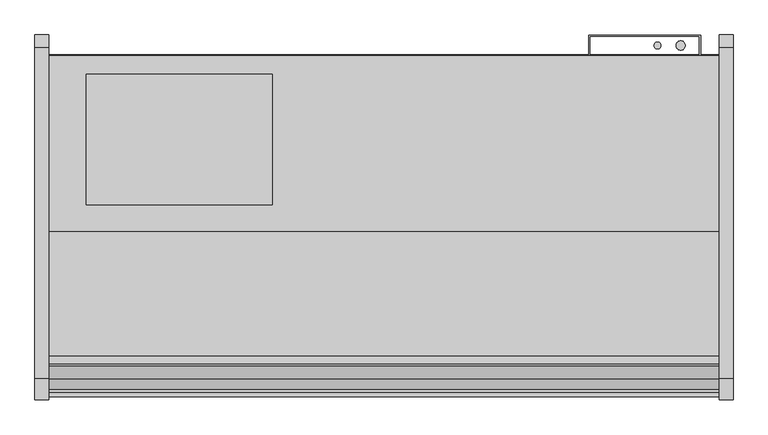
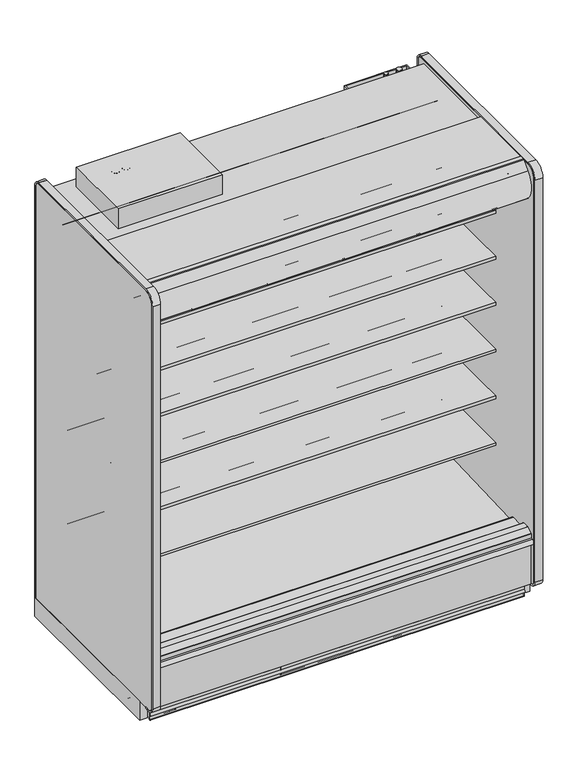
"""IFC4 building model written with IfcOpenShell, lengths in millimetres: proxy geometry."""

import ifcopenshell
import ifcopenshell.guid

model = None  # the IFC model being written
_history = None  # IfcOwnerHistory: only IFC2X3 demands one
_inside = {}  # id of a spatial element -> (the spatial element, [elements in it])
_under = {}  # id of a project, library or spatial element -> (it, [spatial elements below it])
_declared = {}  # id of a project -> (the project, [libraries it declares])
_typed = {}  # id of a type object -> (the type object, [elements of that type])
_made_of = {}  # id of a material, layer set ... -> (it, [elements and type objects made of it])


def new_model(schema):
    """Start an empty IFC model of exactly this schema.

    Asked for "IFC4X3", IfcOpenShell would pick the latest addendum, in which some entities
    have other attributes; the version numbers below select the first issue.
    IFC2X3 requires an IfcOwnerHistory on every rooted entity: one is made here for all.
    """
    global model, _history
    if schema == "IFC4X3":
        model = ifcopenshell.file(schema_version=(4, 3, 0, 0))
    else:
        model = ifcopenshell.file(schema=schema)
    _inside.clear()
    _under.clear()
    _declared.clear()
    _typed.clear()
    _made_of.clear()
    _history = None
    if model.schema == "IFC2X3":
        org = make("IfcOrganization", Name="unknown")
        user = make(
            "IfcPersonAndOrganization",
            ThePerson=make("IfcPerson", FamilyName="unknown"),
            TheOrganization=org,
        )
        app = make(
            "IfcApplication",
            ApplicationDeveloper=org,
            Version="unknown",
            ApplicationFullName="unknown",
            ApplicationIdentifier="unknown",
        )
        _history = make(
            "IfcOwnerHistory",
            OwningUser=user,
            OwningApplication=app,
            ChangeAction="ADDED",
            CreationDate=0,
        )
    return model


def make(cls, **values):
    """One entity of the class cls with the attributes given. An attribute that is None is left unset."""
    return model.create_entity(
        cls, **{name: value for name, value in values.items() if value is not None}
    )


def rooted(cls, **values):
    """An entity with a GlobalId (a new one), such as an element, a storey or a relation."""
    return make(cls, GlobalId=ifcopenshell.guid.new(), OwnerHistory=_history, **values)


def si_unit(unit_type, name, prefix=None):
    """IfcSIUnit, for example si_unit("LENGTHUNIT", "METRE", prefix="MILLI")."""
    return make("IfcSIUnit", UnitType=unit_type, Prefix=prefix, Name=name)


def assignment(units):
    """IfcUnitAssignment: the units of a project."""
    return None if units is None else make("IfcUnitAssignment", Units=units)


def point(xyz):
    """IfcCartesianPoint."""
    return None if xyz is None else make("IfcCartesianPoint", Coordinates=xyz)


def direction(xyz):
    """IfcDirection."""
    return None if xyz is None else make("IfcDirection", DirectionRatios=xyz)


def frame(location, z_axis=None, x_axis=None):
    """IfcAxis2Placement3D, a coordinate frame: its origin and axes. An axis left out is left unset."""
    return make(
        "IfcAxis2Placement3D",
        Location=point(location),
        Axis=direction(z_axis),
        RefDirection=direction(x_axis),
    )


def frame_2d(location, x_axis=None):
    """IfcAxis2Placement2D, a coordinate frame in the plane: its origin and x axis."""
    return make(
        "IfcAxis2Placement2D", Location=point(location), RefDirection=direction(x_axis)
    )


def origin():
    """The frame at (0, 0, 0) with its axes left unset."""
    return frame((0.0, 0.0, 0.0))


def origin_with_axes():
    """The frame at (0, 0, 0) with the z axis (0, 0, 1) and the x axis (1, 0, 0) written out."""
    return frame((0.0, 0.0, 0.0), z_axis=(0.0, 0.0, 1.0), x_axis=(1.0, 0.0, 0.0))


def place(relative_to, where):
    """IfcLocalPlacement: puts the frame where relative to a parent placement (None: the world)."""
    return make(
        "IfcLocalPlacement", PlacementRelTo=relative_to, RelativePlacement=where
    )


def context(
    kind, dimensions, precision=None, world=None, true_north=None, identifier=None
):
    """IfcGeometricRepresentationContext, for example the 3D "Model" context."""
    return make(
        "IfcGeometricRepresentationContext",
        ContextIdentifier=identifier,
        ContextType=kind,
        CoordinateSpaceDimension=dimensions,
        Precision=precision,
        WorldCoordinateSystem=world,
        TrueNorth=true_north,
    )


def project(units=None, contexts=None):
    """IfcProject with its units and contexts."""
    return rooted(
        "IfcProject",
        Name="project",
        RepresentationContexts=contexts,
        UnitsInContext=assignment(units),
    )


def spatial(cls, under=None, at=None, **own):
    """A site, building, storey or space (cls), placed at a placement, below another one or the project."""
    s = rooted(cls, ObjectPlacement=at, **own)
    if under is not None:
        _under.setdefault(under.id(), (under, []))[1].append(s)
    return s


def polyline(points):
    """IfcPolyline through the points."""
    return make("IfcPolyline", Points=[point(p) for p in points])


def circle_curve(where, radius):
    """IfcCircle in the frame where."""
    return make("IfcCircle", Position=where, Radius=radius)


def ellipse_curve(where, semi_axis1, semi_axis2):
    """IfcEllipse in the frame where."""
    return make(
        "IfcEllipse", Position=where, SemiAxis1=semi_axis1, SemiAxis2=semi_axis2
    )


def trimmed(basis, trim1, trim2, sense, master):
    """IfcTrimmedCurve: the piece of a basis curve between two trims."""
    return make(
        "IfcTrimmedCurve",
        BasisCurve=basis,
        Trim1=trim1,
        Trim2=trim2,
        SenseAgreement=sense,
        MasterRepresentation=master,
    )


def segment(curve, same_sense, transition):
    """IfcCompositeCurveSegment."""
    return make(
        "IfcCompositeCurveSegment",
        Transition=transition,
        SameSense=same_sense,
        ParentCurve=curve,
    )


def composite_curve(segments, self_intersect=None):
    """IfcCompositeCurve: segments joined end to end."""
    return make("IfcCompositeCurve", Segments=segments, SelfIntersect=self_intersect)


def outline(outer, holes=None, kind="AREA"):
    """IfcArbitraryClosedProfileDef: a profile drawn as a closed curve; with holes, ...WithVoids."""
    if holes is None:
        return make("IfcArbitraryClosedProfileDef", ProfileType=kind, OuterCurve=outer)
    return make(
        "IfcArbitraryProfileDefWithVoids",
        ProfileType=kind,
        OuterCurve=outer,
        InnerCurves=holes,
    )


def extrude(swept, where, along, depth):
    """IfcExtrudedAreaSolid: the profile swept, set in the frame where, extruded along a direction by depth."""
    return make(
        "IfcExtrudedAreaSolid",
        SweptArea=swept,
        Position=where,
        ExtrudedDirection=direction(along),
        Depth=depth,
    )


def shape(context_of_items, identifier, shape_type, items):
    """IfcShapeRepresentation: the items that make up one representation, for example the "Body"."""
    return make(
        "IfcShapeRepresentation",
        ContextOfItems=context_of_items,
        RepresentationIdentifier=identifier,
        RepresentationType=shape_type,
        Items=items,
    )


def source(mapping_origin, context_of_items, identifier, shape_type, items):
    """IfcRepresentationMap: a shape defined once, which mapped items show again and again."""
    return make(
        "IfcRepresentationMap",
        MappingOrigin=mapping_origin,
        MappedRepresentation=shape(context_of_items, identifier, shape_type, items),
    )


def transform(
    local_origin,
    x_axis=None,
    y_axis=None,
    z_axis=None,
    scale=None,
    scale2=None,
    scale3=None,
    uniform=True,
):
    """IfcCartesianTransformationOperator3D, or its non-uniform kind. x_axis, y_axis, z_axis: its Axis1, 2, 3."""
    if uniform:
        return make(
            "IfcCartesianTransformationOperator3D",
            Axis1=direction(x_axis),
            Axis2=direction(y_axis),
            LocalOrigin=point(local_origin),
            Scale=scale,
            Axis3=direction(z_axis),
        )
    return make(
        "IfcCartesianTransformationOperator3DnonUniform",
        Axis1=direction(x_axis),
        Axis2=direction(y_axis),
        LocalOrigin=point(local_origin),
        Scale=scale,
        Axis3=direction(z_axis),
        Scale2=scale2,
        Scale3=scale3,
    )


def mapped(mapping_source, mapping_target):
    """IfcMappedItem: shows the shape of a source again, moved by a transform."""
    return make(
        "IfcMappedItem", MappingSource=mapping_source, MappingTarget=mapping_target
    )


def made_of(thing, what):
    """Note that an element or type object is made of a material, layer set ...; save() writes the relation."""
    if what is not None:
        _made_of.setdefault(what.id(), (what, []))[1].append(thing)
    return thing


def element(
    cls,
    number,
    at=None,
    inside=None,
    cuts=None,
    type_object=None,
    material=None,
    context=None,
    identifier="Body",
    shape_type=None,
    held_by="IfcProductDefinitionShape",
    body=None,
    shapes=None,
    **own,
):
    """One element of the class cls, such as IfcWall. Its Tag is "e" and its number.

    at: its placement. inside: the storey or other place that contains it. cuts: it is an
    opening in that element (IfcRelVoidsElement). A single representation is given by context,
    identifier, shape_type and body (its items); several are given by shapes. held_by: the class
    of the entity that holds the representations. save() writes the other relations.
    """
    e = rooted(cls, Tag="e%d" % number, ObjectPlacement=at, **own)
    if body is not None:
        shapes = [shape(context, identifier, shape_type, body)]
    if shapes is not None:
        e.Representation = make(held_by, Representations=shapes)
    if inside is not None:
        _inside.setdefault(inside.id(), (inside, []))[1].append(e)
    if cuts is not None:
        rooted(
            "IfcRelVoidsElement", RelatingBuildingElement=cuts, RelatedOpeningElement=e
        )
    if type_object is not None:
        _typed.setdefault(type_object.id(), (type_object, []))[1].append(e)
    return made_of(e, material)


def aggregate(whole, parts):
    """IfcRelAggregates: a whole, such as a stair, and the parts it consists of."""
    return rooted("IfcRelAggregates", RelatingObject=whole, RelatedObjects=parts)


def save(model, path):
    """Write the relations noted so far, then the file.

    IfcRelAggregates (storeys below a building ...), IfcRelContainedInSpatialStructure (elements
    in a storey), IfcRelDefinesByType, IfcRelAssociatesMaterial and IfcRelDeclares: one each for
    every whole, place, type object, material and project.
    """
    for whole, parts in _under.values():
        aggregate(whole, parts)
    for where, things in _inside.values():
        rooted(
            "IfcRelContainedInSpatialStructure",
            RelatedElements=things,
            RelatingStructure=where,
        )
    for kind, things in _typed.values():
        rooted("IfcRelDefinesByType", RelatedObjects=things, RelatingType=kind)
    for what, things in _made_of.values():
        rooted("IfcRelAssociatesMaterial", RelatedObjects=things, RelatingMaterial=what)
    for by, libraries in _declared.values():
        rooted("IfcRelDeclares", RelatingContext=by, RelatedDefinitions=libraries)
    model.write(path)


def plane_surface(at):
    """IfcPlane: the flat surface through the origin of the frame at, square to its z axis."""
    return make("IfcPlane", Position=at)


def cylinder_surface(at, radius):
    """IfcCylindricalSurface: all points at the distance radius from the z axis of the frame at."""
    return make("IfcCylindricalSurface", Position=at, Radius=radius)


def revolved_surface(curve, axis_point, axis_direction):
    """IfcSurfaceOfRevolution: the curve turned about the line through axis_point along axis_direction."""
    return make(
        "IfcSurfaceOfRevolution",
        SweptCurve=make("IfcArbitraryOpenProfileDef", ProfileType="CURVE", Curve=curve),
        AxisPosition=make("IfcAxis1Placement", Location=point(axis_point), Axis=direction(axis_direction)),
    )


def advanced_brep(points, edges, surfaces, faces):
    """IfcAdvancedBrep: a solid bounded by faces that lie on surfaces and meet in shared edges.

    An edge is (start, end): straight between two places in points (the first is 0);
    or (start, end, curve); or (start, end, curve, False) where it runs against its curve.
    A face is (place in surfaces, loops), or (place, loops, False) where it looks against
    its surface's normal. A loop lists edges by number (the first is 1), with a minus sign
    where the edge is run from its end to its start. The first loop is the outer one.
    """
    corners = [point(p) for p in points]
    vertices = [make("IfcVertexPoint", VertexGeometry=c) for c in corners]
    made = []
    for start, end, *more in edges:
        made.append(
            make(
                "IfcEdgeCurve",
                EdgeStart=vertices[start],
                EdgeEnd=vertices[end],
                EdgeGeometry=more[0] if more else make("IfcPolyline", Points=[corners[start], corners[end]]),
                SameSense=more[1] if len(more) > 1 else True,
            )
        )
    hull = []
    for where, loops, *sense in faces:
        bounds = []
        for j, loop in enumerate(loops):
            ring = [make("IfcOrientedEdge", EdgeElement=made[abs(k) - 1], Orientation=k > 0) for k in loop]
            bounds.append(
                make(
                    "IfcFaceOuterBound" if j == 0 else "IfcFaceBound",
                    Bound=make("IfcEdgeLoop", EdgeList=ring),
                    Orientation=True,
                )
            )
        hull.append(make("IfcAdvancedFace", Bounds=bounds, FaceSurface=surfaces[where], SameSense=sense[0] if sense else True))
    return make("IfcAdvancedBrep", Outer=make("IfcClosedShell", CfsFaces=hull))


def mechanical_equipment_e9cf0e08(model_context):
    return source(origin(), model_context, "Body", "SolidModel", [
        extrude(outline(composite_curve([segment(polyline([(-1274.0829637, 2251.075), (-1294.3336241, 2251.075)]), True, "CONTINUOUS"), segment(trimmed(circle_curve(frame_2d((-1294.3336241, 2246.6009255)), 4.4740745), [point((-1294.3336241, 2251.075))], [point((-1297.552004, 2249.7088788))], True, "CARTESIAN"), True, "CONTINUOUS"), segment(polyline([(-1297.552004, 2249.7088788), (-1332.8788425, 2213.1268666)]), True, "CONTINUOUS"), segment(trimmed(circle_curve(frame_2d((-1260.597853, 2143.3259263)), 100.4824), [point((-1332.8788425, 2213.1268666))], [point((-1341.3700905, 2203.0968084))], True, "CARTESIAN"), True, "CONTINUOUS"), segment(trimmed(circle_curve(frame_2d((-1260.597853, 2143.3259263)), 100.4824), [point((-1341.3700905, 2203.0968084))], [point((-1334.0860282, 2074.7970943))], True, "CARTESIAN"), True, "CONTINUOUS"), segment(trimmed(circle_curve(frame_2d((-1330.2592931, 2078.3655825)), 5.2324), [point((-1334.0860282, 2074.7970943))], [point((-1326.5594275, 2074.665717))], True, "CARTESIAN"), True, "CONTINUOUS"), segment(polyline([(-1326.5594275, 2074.665717), (-1319.9858801, 2081.2392645), (-1318.5490391, 2079.8024235), (-1325.1225866, 2073.228876)]), True, "CONTINUOUS"), segment(trimmed(circle_curve(frame_2d((-1330.2592931, 2078.3655825)), 7.2644), [point((-1325.1225866, 2073.228876))], [point((-1335.5721389, 2073.4112736))], False, "CARTESIAN"), True, "CONTINUOUS"), segment(trimmed(circle_curve(frame_2d((-1260.597853, 2143.3259263)), 102.5144), [point((-1335.5721389, 2073.4112736))], [point((-1334.340541, 2214.5384124))], False, "CARTESIAN"), True, "CONTINUOUS"), segment(polyline([(-1334.340541, 2214.5384124), (-1299.7047357, 2250.4048387)]), True, "CONTINUOUS"), segment(trimmed(circle_curve(frame_2d((-1294.4791637, 2245.3585624)), 7.2644), [point((-1299.7047357, 2250.4048387))], [point((-1294.4791637, 2252.6229624))], False, "CARTESIAN"), True, "CONTINUOUS"), segment(polyline([(-1294.4791637, 2252.6229624), (-1274.0829637, 2252.6229624), (-1274.0829637, 2251.075)]), True, "CONTINUOUS")], self_intersect=False)), frame((0.0, 0.0, 0.0), z_axis=(1.0, 0.0, 0.0), x_axis=(0.0, 1.0, 0.0)), (0.0, 0.0, 1.0), 1828.8),
        extrude(outline(composite_curve([segment(trimmed(circle_curve(frame_2d((-1254.7298559, 2115.8468051)), 11.1125), [point((-1265.8423507, 2115.8361068))], [point((-1243.617361, 2115.8575034))], False, "CARTESIAN"), True, "CONTINUOUS"), segment(trimmed(circle_curve(frame_2d((-1254.7298559, 2115.8468051)), 11.1125), [point((-1243.617361, 2115.8575034))], [point((-1265.8423507, 2115.8361068))], False, "CARTESIAN"), True, "CONTINUOUS")], self_intersect=False)), frame((0.0, 0.0, 0.0), z_axis=(1.0, 0.0, 0.0), x_axis=(0.0, 1.0, 0.0)), (0.0, 0.0, 1.0), 1828.8),
        extrude(outline(composite_curve([segment(trimmed(circle_curve(frame_2d((-1294.8804038, 2104.9918872)), 11.1125), [point((-1305.9928987, 2104.9811889))], [point((-1283.767909, 2105.0025854))], False, "CARTESIAN"), True, "CONTINUOUS"), segment(trimmed(circle_curve(frame_2d((-1294.8804038, 2104.9918872)), 11.1125), [point((-1283.767909, 2105.0025854))], [point((-1305.9928987, 2104.9811889))], False, "CARTESIAN"), True, "CONTINUOUS")], self_intersect=False)), frame((0.0, 0.0, 0.0), z_axis=(1.0, 0.0, 0.0), x_axis=(0.0, 1.0, 0.0)), (0.0, 0.0, 1.0), 1828.8),
        extrude(outline(polyline([(1473.2, -397.6671044), (1778.0, -397.6671044), (1778.0, -453.092873), (1774.825, -453.092873), (1774.825, -400.8421044), (1476.375, -400.8421044), (1476.375, -453.092873), (1473.2, -453.092873), (1473.2, -397.6671044)])), frame((0.0, 0.0, 237.9789513), z_axis=(0.0, 0.0, 1.0), x_axis=(1.0, 0.0, 0.0)), (0.0, 0.0, 1.0), 1972.9442436),
        extrude(outline(composite_curve([segment(polyline([(-450.2965273, 24.892), (-450.2965273, 5.1562)]), True, "CONTINUOUS"), segment(trimmed(circle_curve(frame_2d((-455.4527273, 5.1562)), 5.1562), [point((-450.2965273, 5.1562))], [point((-455.4527273, 0.0))], False, "CARTESIAN"), True, "CONTINUOUS"), segment(polyline([(-455.4527273, 0.0), (-490.3650273, 0.0)]), True, "CONTINUOUS"), segment(trimmed(circle_curve(frame_2d((-490.3650273, 5.1562)), 5.1562), [point((-490.3650273, 0.0))], [point((-495.5212273, 5.1562))], False, "CARTESIAN"), True, "CONTINUOUS"), segment(polyline([(-495.5212273, 5.1562), (-495.5212273, 19.7231)]), True, "CONTINUOUS"), segment(trimmed(circle_curve(frame_2d((-497.9088273, 19.7231)), 2.3876), [point((-495.5212273, 19.7231))], [point((-497.9088273, 22.1107))], True, "CARTESIAN"), True, "CONTINUOUS"), segment(polyline([(-497.9088273, 22.1107), (-509.1356273, 22.1107)]), True, "CONTINUOUS"), segment(trimmed(circle_curve(frame_2d((-509.1356273, 19.7231)), 2.3876), [point((-509.1356273, 22.1107))], [point((-511.5232273, 19.7231))], True, "CARTESIAN"), True, "CONTINUOUS"), segment(polyline([(-511.5232273, 19.7231), (-511.5232273, 4.2926), (-514.2918273, 4.2926), (-514.2918273, 19.7231)]), True, "CONTINUOUS"), segment(trimmed(circle_curve(frame_2d((-509.1356273, 19.7231)), 5.1562), [point((-514.2918273, 19.7231))], [point((-509.1356273, 24.8793))], False, "CARTESIAN"), True, "CONTINUOUS"), segment(polyline([(-509.1356273, 24.8793), (-497.9088273, 24.8793)]), True, "CONTINUOUS"), segment(trimmed(circle_curve(frame_2d((-497.9088273, 19.7231)), 5.1562), [point((-497.9088273, 24.8793))], [point((-492.7526273, 19.7231))], False, "CARTESIAN"), True, "CONTINUOUS"), segment(polyline([(-492.7526273, 19.7231), (-492.7526273, 5.1562)]), True, "CONTINUOUS"), segment(trimmed(circle_curve(frame_2d((-490.3650273, 5.1562)), 2.3876), [point((-492.7526273, 5.1562))], [point((-490.3650273, 2.7686))], True, "CARTESIAN"), True, "CONTINUOUS"), segment(polyline([(-490.3650273, 2.7686), (-455.4527273, 2.7686)]), True, "CONTINUOUS"), segment(trimmed(circle_curve(frame_2d((-455.4527273, 5.1562)), 2.3876), [point((-455.4527273, 2.7686))], [point((-453.0651273, 5.1562))], True, "CARTESIAN"), True, "CONTINUOUS"), segment(polyline([(-453.0651273, 5.1562), (-453.0651273, 24.892), (-450.2965273, 24.892)]), True, "CONTINUOUS")], self_intersect=False)), frame((0.0, 0.0, 0.0), z_axis=(1.0, 0.0, 0.0), x_axis=(0.0, 1.0, 0.0)), (0.0, 0.0, 1.0), 1828.8),
        extrude(outline(composite_curve([segment(polyline([(-1119.8151273, 105.16235), (-453.0963273, 105.16235), (-453.0963273, 5.1562)]), True, "CONTINUOUS"), segment(trimmed(circle_curve(frame_2d((-455.4839273, 5.1562)), 2.3876), [point((-453.0963273, 5.1562))], [point((-455.4839273, 2.7686))], False, "CARTESIAN"), True, "CONTINUOUS"), segment(polyline([(-455.4839273, 2.7686), (-488.0213273, 2.7686), (-488.0213273, 70.23735), (-1084.8901273, 70.23735), (-1084.8901273, 2.7686), (-1117.4275273, 2.7686)]), True, "CONTINUOUS"), segment(trimmed(circle_curve(frame_2d((-1117.4275273, 5.1562)), 2.3876), [point((-1117.4275273, 2.7686))], [point((-1119.8151273, 5.1562))], False, "CARTESIAN"), True, "CONTINUOUS"), segment(polyline([(-1119.8151273, 5.1562), (-1119.8151273, 105.16235)]), True, "CONTINUOUS")], self_intersect=False)), frame((0.0, 0.0, 0.0), z_axis=(1.0, 0.0, 0.0), x_axis=(0.0, 1.0, 0.0)), (0.0, 0.0, 1.0), 1828.8),
        extrude(outline(composite_curve([segment(trimmed(circle_curve(frame_2d((1628.4358045, -1169.1284613)), 12.7), [point((1615.7358045, -1169.1284613))], [point((1641.1358045, -1169.1284613))], False, "CARTESIAN"), True, "CONTINUOUS"), segment(trimmed(circle_curve(frame_2d((1628.4358045, -1169.1284613)), 12.7), [point((1641.1358045, -1169.1284613))], [point((1615.7358045, -1169.1284613))], False, "CARTESIAN"), True, "CONTINUOUS")], self_intersect=False)), origin_with_axes(), (0.0, 0.0, 1.0), 84.70392),
        extrude(outline(composite_curve([segment(trimmed(circle_curve(frame_2d((1584.6641955, -1169.1284613)), 9.525), [point((1575.1391955, -1169.1284613))], [point((1594.1891955, -1169.1284613))], False, "CARTESIAN"), True, "CONTINUOUS"), segment(trimmed(circle_curve(frame_2d((1584.6641955, -1169.1284613)), 9.525), [point((1594.1891955, -1169.1284613))], [point((1575.1391955, -1169.1284613))], False, "CARTESIAN"), True, "CONTINUOUS")], self_intersect=False)), origin_with_axes(), (0.0, 0.0, 1.0), 84.70392),
        extrude(outline(composite_curve([segment(trimmed(circle_curve(frame_2d((1219.2, -1177.0275273)), 38.1), [point((1181.1, -1177.0275273))], [point((1257.3, -1177.0275273))], False, "CARTESIAN"), True, "CONTINUOUS"), segment(trimmed(circle_curve(frame_2d((1219.2, -1177.0275273)), 38.1), [point((1257.3, -1177.0275273))], [point((1181.1, -1177.0275273))], False, "CARTESIAN"), True, "CONTINUOUS")], self_intersect=False)), origin_with_axes(), (0.0, 0.0, 1.0), 101.6),
        extrude(outline(composite_curve([segment(polyline([(-1303.8439273, 35.7124), (-1303.8439273, 56.3626001), (-1310.1939271, 58.3421778), (-1303.8439273, 70.6374), (-1303.8439273, 98.425)]), True, "CONTINUOUS"), segment(trimmed(circle_curve(frame_2d((-1303.1073273, 98.425)), 0.7366), [point((-1303.8439273, 98.425))], [point((-1303.1073273, 99.1616))], False, "CARTESIAN"), True, "CONTINUOUS"), segment(polyline([(-1303.1073273, 99.1616), (-1303.1073273, 1.524)]), True, "CONTINUOUS"), segment(trimmed(circle_curve(frame_2d((-1302.3199273, 1.524)), 0.7874), [point((-1303.1073273, 1.524))], [point((-1302.3199273, 0.7366))], True, "CARTESIAN"), True, "CONTINUOUS"), segment(polyline([(-1302.3199273, 0.7366), (-1299.2124308, 0.7366), (-1298.696658, 1.4732), (-1293.083258, 1.4732)]), True, "CONTINUOUS"), segment(trimmed(circle_curve(frame_2d((-1293.083258, 0.7366)), 0.7366), [point((-1293.083258, 1.4732))], [point((-1293.083258, 0.0))], False, "CARTESIAN"), True, "CONTINUOUS"), segment(polyline([(-1293.083258, 0.0), (-1302.3199273, 0.0)]), True, "CONTINUOUS"), segment(trimmed(circle_curve(frame_2d((-1302.3199273, 1.524)), 1.524), [point((-1302.3199273, 0.0))], [point((-1303.8439273, 1.524))], False, "CARTESIAN"), True, "CONTINUOUS"), segment(polyline([(-1303.8439273, 1.524), (-1303.8439273, 21.4376001), (-1310.1939271, 23.4171778), (-1303.8439273, 35.7124)]), True, "CONTINUOUS")], self_intersect=False)), frame((0.0, 0.0, 0.0), z_axis=(1.0, 0.0, 0.0), x_axis=(0.0, 1.0, 0.0)), (0.0, 0.0, 1.0), 1828.8),
        extrude(outline(composite_curve([segment(polyline([(-554.6455273, 571.5555799), (-573.0215473, 571.2431163)]), True, "CONTINUOUS"), segment(trimmed(circle_curve(frame_2d((-573.4533834, 596.6394451)), 25.4), [point((-573.0215473, 571.2431163))], [point((-589.4307397, 576.8939624))], False, "CARTESIAN"), True, "CONTINUOUS"), segment(polyline([(-589.4307397, 576.8939624), (-607.2828008, 591.339228)]), True, "CONTINUOUS"), segment(trimmed(circle_curve(frame_2d((-647.2261914, 541.9755212)), 63.5), [point((-607.2828008, 591.339228))], [point((-639.3283102, 604.9824531))], True, "CARTESIAN"), True, "CONTINUOUS"), segment(polyline([(-639.3283102, 604.9824531), (-929.9804321, 628.6795906), (-931.4692086, 632.1201427), (-1062.7611376, 632.1201427), (-1062.7611376, 646.3441427), (-554.6455273, 646.3441427), (-554.6455273, 571.5555799)]), True, "CONTINUOUS")], self_intersect=False)), frame((0.0, 0.0, 0.0), z_axis=(1.0, 0.0, 0.0), x_axis=(0.0, 1.0, 0.0)), (0.0, 0.0, 1.0), 1828.8),
        extrude(outline(composite_curve([segment(polyline([(-554.6455273, 812.8555799), (-573.0215473, 812.5431163)]), True, "CONTINUOUS"), segment(trimmed(circle_curve(frame_2d((-573.4533834, 837.9394451)), 25.4), [point((-573.0215473, 812.5431163))], [point((-589.4307397, 818.1939624))], False, "CARTESIAN"), True, "CONTINUOUS"), segment(polyline([(-589.4307397, 818.1939624), (-607.2828008, 832.639228)]), True, "CONTINUOUS"), segment(trimmed(circle_curve(frame_2d((-647.2261914, 783.2755212)), 63.5), [point((-607.2828008, 832.639228))], [point((-639.3283102, 846.2824531))], True, "CARTESIAN"), True, "CONTINUOUS"), segment(polyline([(-639.3283102, 846.2824531), (-929.9804321, 869.9795906), (-931.4692086, 873.4201427), (-1062.7611376, 873.4201427), (-1062.7611376, 887.6441427), (-554.6455273, 887.6441427), (-554.6455273, 812.8555799)]), True, "CONTINUOUS")], self_intersect=False)), frame((0.0, 0.0, 0.0), z_axis=(1.0, 0.0, 0.0), x_axis=(0.0, 1.0, 0.0)), (0.0, 0.0, 1.0), 1828.8),
        extrude(outline(composite_curve([segment(polyline([(-554.6455273, 1054.1555799), (-573.0215473, 1053.8431163)]), True, "CONTINUOUS"), segment(trimmed(circle_curve(frame_2d((-573.4533834, 1079.2394451)), 25.4), [point((-573.0215473, 1053.8431163))], [point((-589.4307397, 1059.4939624))], False, "CARTESIAN"), True, "CONTINUOUS"), segment(polyline([(-589.4307397, 1059.4939624), (-607.2828008, 1073.939228)]), True, "CONTINUOUS"), segment(trimmed(circle_curve(frame_2d((-647.2261914, 1024.5755212)), 63.5), [point((-607.2828008, 1073.939228))], [point((-639.3283102, 1087.5824531))], True, "CARTESIAN"), True, "CONTINUOUS"), segment(polyline([(-639.3283102, 1087.5824531), (-929.9804321, 1111.2795906), (-931.4692086, 1114.7201427), (-1062.7611376, 1114.7201427), (-1062.7611376, 1128.9441427), (-554.6455273, 1128.9441427), (-554.6455273, 1054.1555799)]), True, "CONTINUOUS")], self_intersect=False)), frame((0.0, 0.0, 0.0), z_axis=(1.0, 0.0, 0.0), x_axis=(0.0, 1.0, 0.0)), (0.0, 0.0, 1.0), 1828.8),
        extrude(outline(composite_curve([segment(polyline([(-554.6455273, 1295.5492695), (-573.0215473, 1295.2368059)]), True, "CONTINUOUS"), segment(trimmed(circle_curve(frame_2d((-573.4533834, 1320.6331347)), 25.4), [point((-573.0215473, 1295.2368059))], [point((-589.4307397, 1300.887652))], False, "CARTESIAN"), True, "CONTINUOUS"), segment(polyline([(-589.4307397, 1300.887652), (-607.2828008, 1315.3329175)]), True, "CONTINUOUS"), segment(trimmed(circle_curve(frame_2d((-647.2261914, 1265.9692108)), 63.5), [point((-607.2828008, 1315.3329175))], [point((-639.3283102, 1328.9761427))], True, "CARTESIAN"), True, "CONTINUOUS"), segment(polyline([(-639.3283102, 1328.9761427), (-929.9804321, 1352.6732801), (-931.4692086, 1356.1138322), (-1062.7611376, 1356.1138322), (-1062.7611376, 1370.3378322), (-554.6455273, 1370.3378322), (-554.6455273, 1295.5492695)]), True, "CONTINUOUS")], self_intersect=False)), frame((0.0, 0.0, 0.0), z_axis=(1.0, 0.0, 0.0), x_axis=(0.0, 1.0, 0.0)), (0.0, 0.0, 1.0), 1828.8),
        extrude(outline(composite_curve([segment(polyline([(-554.6455273, 1533.1653867), (-573.0215473, 1532.8529231)]), True, "CONTINUOUS"), segment(trimmed(circle_curve(frame_2d((-573.4533834, 1558.2492519)), 25.4), [point((-573.0215473, 1532.8529231))], [point((-589.4307397, 1538.5037692))], False, "CARTESIAN"), True, "CONTINUOUS"), segment(polyline([(-589.4307397, 1538.5037692), (-607.2828008, 1552.9490347)]), True, "CONTINUOUS"), segment(trimmed(circle_curve(frame_2d((-647.2261914, 1503.585328)), 63.5), [point((-607.2828008, 1552.9490347))], [point((-639.3283102, 1566.5922599))], True, "CARTESIAN"), True, "CONTINUOUS"), segment(polyline([(-639.3283102, 1566.5922599), (-929.9804321, 1590.2893973), (-931.4692086, 1593.7299494), (-1062.7611376, 1593.7299494), (-1062.7611376, 1607.9539494), (-554.6455273, 1607.9539494), (-554.6455273, 1533.1653867)]), True, "CONTINUOUS")], self_intersect=False)), frame((0.0, 0.0, 0.0), z_axis=(1.0, 0.0, 0.0), x_axis=(0.0, 1.0, 0.0)), (0.0, 0.0, 1.0), 1828.8),
        advanced_brep(
        [(1828.8, -1303.0997867, 105.16235), (1828.8, -1303.0997867, 12.46632), (1828.8, -1299.1373867, 8.50392), (1828.8, -1189.1400664, 8.50392), (1828.8, -1119.8463273, 27.0711214), (1828.8, -1119.8463273, 105.16235), (0.0, -1303.0997867, 105.16235), (0.0, -1119.8463273, 105.16235), (0.0, -1119.8463273, 27.0711214), (0.0, -1189.1400664, 8.50392), (0.0, -1299.1373867, 8.50392), (0.0, -1303.0997867, 12.46632), (127.0, -1303.0997867, 12.46632), (127.0, -1303.0997867, 70.23735), (638.175, -1303.0997867, 70.23735), (638.175, -1303.0997867, 12.46632), (638.175, -1299.1373867, 8.50392), (127.0, -1299.1373867, 8.50392), (638.175, -1291.5558487, 8.50392), (638.9243384, -1291.5558487, 8.50392), (638.9243384, -1191.2766487, 8.50392), (127.0127384, -1191.2766487, 8.50392), (1169.8651604, -1189.1400664, 8.50392), (1268.5348396, -1189.1400664, 8.50392), (1560.5885281, -1189.1400664, 8.50392), (1652.5114719, -1189.1400664, 8.50392), (1624.1433681, -1119.8463273, 27.0711214), (1624.1433681, -1119.8463273, 101.6), (1588.9566319, -1119.8463273, 101.6), (1588.9566319, -1119.8463273, 27.0711214), (127.0, -1291.5558487, 70.23735), (638.175, -1291.5558487, 70.23735), (127.0, -1191.2766487, 84.70392), (127.0, -1291.5558487, 84.70392), (1657.35, -1167.5025273, 14.3016811), (1555.75, -1167.5025273, 14.3016811), (1270.0, -1177.0275273, 11.7494651), (1168.4, -1177.0275273, 11.7494651), (1657.35, -1167.5025273, 101.6), (1555.75, -1167.5025273, 101.6), (1168.4, -1177.0275273, 101.6), (1270.0, -1177.0275273, 101.6), (638.9243384, -1191.2766487, 84.70392), (638.9243384, -1291.5558487, 84.70392)],
        [
            (0, 1),
            (1, 2, circle_curve(frame((1828.8, -1299.1373867, 12.46632), z_axis=(1.0, 0.0, 0.0), x_axis=(0.0, 1.0, 0.0)), 3.9624)),
            (2, 3),
            (3, 4),
            (4, 5),
            (5, 0),
            (6, 7),
            (7, 8),
            (8, 9),
            (9, 10),
            (10, 11, circle_curve(frame((0.0, -1299.1373867, 12.46632), z_axis=(-1.0, 0.0, 0.0), x_axis=(0.0, 1.0, 0.0)), 3.9624)),
            (11, 6),
            (0, 6),
            (11, 12),
            (12, 13),
            (13, 14),
            (14, 15),
            (15, 1),
            (15, 16, circle_curve(frame((638.175, -1299.1373867, 12.46632), z_axis=(1.0, 0.0, 0.0), x_axis=(0.0, 1.0, 0.0)), 3.9624)),
            (16, 2),
            (10, 17),
            (17, 12, circle_curve(frame((127.0, -1299.1373867, 12.46632), z_axis=(-1.0, 0.0, 0.0), x_axis=(0.0, 1.0, 0.0)), 3.9624)),
            (16, 18),
            (18, 19),
            (19, 20),
            (20, 21),
            (21, 17),
            (9, 22),
            (22, 23, circle_curve(frame((1219.2, -1177.0275273, 8.50392), z_axis=(0.0, 0.0, 1.0), x_axis=(1.0, 0.0, 0.0)), 50.8)),
            (23, 24),
            (24, 25, circle_curve(frame((1606.55, -1167.5025273, 8.50392), z_axis=(0.0, 0.0, 1.0), x_axis=(1.0, 0.0, 0.0)), 50.8)),
            (25, 3),
            (4, 26),
            (26, 27),
            (27, 28),
            (28, 29),
            (29, 8),
            (7, 5),
            (13, 30),
            (30, 31),
            (31, 14),
            (21, 32),
            (32, 33),
            (33, 30),
            (31, 18),
            (25, 34, ellipse_curve(frame((1606.55, -1167.5025273, 14.3016811), z_axis=(0.0, -0.2588190451025241, 0.9659258262890674), x_axis=(0.0, 0.9659258262890675, 0.25881904510252396)), 52.59203, 50.8)),
            (34, 26, ellipse_curve(frame((1606.55, -1167.5025273, 14.3016811), z_axis=(0.0, -0.2588190451025241, 0.9659258262890674), x_axis=(0.0, 0.9659258262890675, 0.25881904510252396)), 52.59203, 50.8)),
            (29, 35, ellipse_curve(frame((1606.55, -1167.5025273, 14.3016811), z_axis=(0.0, -0.2588190451025241, 0.9659258262890674), x_axis=(0.0, 0.9659258262890675, 0.25881904510252396)), 52.59203, 50.8)),
            (35, 24, ellipse_curve(frame((1606.55, -1167.5025273, 14.3016811), z_axis=(0.0, -0.2588190451025241, 0.9659258262890674), x_axis=(0.0, 0.9659258262890675, 0.25881904510252396)), 52.59203, 50.8)),
            (23, 36, ellipse_curve(frame((1219.2, -1177.0275273, 11.7494651), z_axis=(0.0, -0.2588190451025241, 0.9659258262890674), x_axis=(0.0, 0.9659258262890675, 0.25881904510252396)), 52.59203, 50.8)),
            (36, 37, ellipse_curve(frame((1219.2, -1177.0275273, 11.7494651), z_axis=(0.0, -0.2588190451025241, 0.9659258262890674), x_axis=(0.0, 0.9659258262890675, 0.25881904510252396)), 52.59203, 50.8)),
            (37, 22, ellipse_curve(frame((1219.2, -1177.0275273, 11.7494651), z_axis=(0.0, -0.2588190451025241, 0.9659258262890674), x_axis=(0.0, 0.9659258262890675, 0.25881904510252396)), 52.59203, 50.8)),
            (38, 39, circle_curve(frame((1606.55, -1167.5025273, 101.6), z_axis=(0.0, 0.0, -1.0), x_axis=(1.0, 0.0, 0.0)), 50.8)),
            (39, 28, circle_curve(frame((1606.55, -1167.5025273, 101.6), z_axis=(0.0, 0.0, -1.0), x_axis=(1.0, 0.0, 0.0)), 50.8)),
            (27, 38, circle_curve(frame((1606.55, -1167.5025273, 101.6), z_axis=(0.0, 0.0, -1.0), x_axis=(1.0, 0.0, 0.0)), 50.8)),
            (38, 34),
            (35, 39),
            (40, 41, circle_curve(frame((1219.2, -1177.0275273, 101.6), z_axis=(0.0, 0.0, -1.0), x_axis=(1.0, 0.0, 0.0)), 50.8)),
            (41, 40, circle_curve(frame((1219.2, -1177.0275273, 101.6), z_axis=(0.0, 0.0, -1.0), x_axis=(1.0, 0.0, 0.0)), 50.8)),
            (41, 36),
            (37, 40),
            (42, 43),
            (43, 33),
            (32, 42),
            (20, 42),
            (43, 19),
        ],
        [
            plane_surface(frame((1828.8, -1303.0997867, 12.46632), z_axis=(1.0, 0.0, 0.0), x_axis=(0.0, 0.0, -1.0))),
            plane_surface(frame((0.0, -1303.0997867, 12.46632), z_axis=(-1.0, 0.0, 0.0), x_axis=(0.0, 0.0, 1.0))),
            plane_surface(frame((1828.8, -1303.0997867, 105.16235), z_axis=(0.0, -1.0, 0.0), x_axis=(-1.0, 0.0, 0.0))),
            cylinder_surface(frame((0.0, -1299.1373867, 12.46632), z_axis=(1.0, 0.0, 0.0), x_axis=(0.0, 1.0, 0.0)), 3.9624),
            plane_surface(frame((1828.8, -1299.1373867, 8.50392), z_axis=(0.0, 0.0, -1.0), x_axis=(-1.0, 0.0, 0.0))),
            plane_surface(frame((1828.8, -1119.8463273, 27.0711214), z_axis=(0.0, 1.0, 0.0), x_axis=(-1.0, 0.0, 0.0))),
            plane_surface(frame((1828.8, -1119.8463273, 105.16235), z_axis=(0.0, 0.0, 1.0), x_axis=(-1.0, 0.0, 0.0))),
            plane_surface(frame((127.0, -1266.0481044, 70.23735), z_axis=(0.0, 0.0, -1.0), x_axis=(-1.0, 0.0, 0.0))),
            plane_surface(frame((127.0, -1266.0481044, 70.23735), z_axis=(1.0, 0.0, 0.0), x_axis=(0.0, 0.0, -1.0))),
            plane_surface(frame((638.175, -1367.6481044, 70.23735), z_axis=(-1.0, 0.0, 0.0), x_axis=(0.0, 0.0, -1.0))),
            plane_surface(frame((1828.8, -1189.1400664, 8.50392), z_axis=(0.0, 0.2588190451025241, -0.9659258262890674), x_axis=(-1.0, 0.0, 0.0))),
            plane_surface(frame((1657.35, -1167.5025273, 101.6), z_axis=(0.0, 0.0, -1.0), x_axis=(0.0, 1.0, 0.0))),
            revolved_surface(polyline([(1657.35, -1167.5025273, 101.6), (1657.35, -1167.5025273, 0.689862115396707)]), (1606.55, -1167.5025273, 0.0), (0.0, 0.0, 1.0)),
            plane_surface(frame((1270.0, -1177.0275273, 101.6), z_axis=(0.0, 0.0, -1.0), x_axis=(0.0, 1.0, 0.0))),
            revolved_surface(polyline([(1270.0, -1177.0275273, 101.6), (1270.0, -1177.0275273, -1.8623538846032925)]), (1219.2, -1177.0275273, 0.0), (0.0, 0.0, 1.0)),
            plane_surface(frame((638.9243384, -1191.2766487, 84.70392), z_axis=(0.0, 0.0, -1.0), x_axis=(-1.0, 0.0, 0.0))),
            plane_surface(frame((638.9243384, -1191.2766487, 84.70392), z_axis=(0.0, -1.0, 0.0), x_axis=(0.0, 0.0, -1.0))),
            plane_surface(frame((127.0127384, -1291.5558487, 84.70392), z_axis=(0.0, 1.0, 0.0), x_axis=(0.0, 0.0, -1.0))),
            plane_surface(frame((638.9243384, -1291.5558487, 84.70392), z_axis=(-1.0, 0.0, 0.0), x_axis=(0.0, 0.0, -1.0))),
        ],
        [
            (0, [[1, 2, 3, 4, 5, 6]]),
            (1, [[7, 8, 9, 10, 11, 12]]),
            (2, [[-1, 13, -12, 14, 15, 16, 17, 18]]),
            (3, [[-2, -18, 19, 20]]),
            (3, [[-11, 21, 22, -14]]),
            (4, [[-3, -20, 23, 24, 25, 26, 27, -21, -10, 28, 29, 30, 31, 32]]),
            (5, [[-5, 33, 34, 35, 36, 37, -8, 38]]),
            (6, [[-6, -38, -7, -13]]),
            (7, [[-16, 39, 40, 41]]),
            (8, [[-15, -22, -27, 42, 43, 44, -39]]),
            (9, [[-17, -41, 45, -23, -19]]),
            (10, [[-4, -32, 46, 47, -33]]),
            (10, [[-9, -37, 48, 49, -30, 50, 51, 52, -28]]),
            (11, [[53, 54, -35, 55]]),
            (12, [[-53, 56, -46, -31, -49, 57]]),
            (12, [[-54, -57, -48, -36]]),
            (12, [[-55, -34, -47, -56]]),
            (13, [[58, 59]]),
            (14, [[-59, 60, -50, -29, -52, 61]]),
            (14, [[-58, -61, -51, -60]]),
            (15, [[62, 63, -43, 64]]),
            (16, [[-64, -42, -26, 65]]),
            (17, [[-63, 66, -24, -45, -40, -44]]),
            (18, [[-62, -65, -25, -66]]),
        ],
    ),
        extrude(outline(polyline([(609.6, -504.1009236), (609.6, -859.7009236), (101.6, -859.7009236), (101.6, -504.1009236), (609.6, -504.1009236)])), frame((0.0, 0.0, 2232.3361513), z_axis=(0.0, 0.0, 1.0), x_axis=(1.0, 0.0, 0.0)), (0.0, 0.0, 1.0), 102.0572),
        extrude(outline(composite_curve([segment(polyline([(-1293.5729007, 2251.075), (-934.1551117, 2251.075), (-934.1551117, 2232.3361513), (-1233.3111299, 2232.3361513), (-1233.3111299, 2181.5361513), (-1172.9211148, 2181.5361513), (-1172.9211148, 2141.5126887), (-1209.2283755, 2128.2979266), (-1234.168471, 2139.9276841), (-1337.9651096, 2112.1154586), (-1337.9651096, 2081.6913231)]), True, "CONTINUOUS"), segment(trimmed(circle_curve(frame_2d((-1336.3776096, 2081.6913231)), 1.5875), [point((-1337.9651096, 2081.6913231))], [point((-1336.894449, 2080.1903123))], True, "CARTESIAN"), True, "CONTINUOUS"), segment(polyline([(-1336.894449, 2080.1903123), (-1326.7029612, 2076.6811017)]), True, "CONTINUOUS"), segment(trimmed(circle_curve(frame_2d((-1326.1861218, 2078.1821124)), 1.5875), [point((-1326.7029612, 2076.6811017))], [point((-1325.0635898, 2077.0595804))], True, "CARTESIAN"), True, "CONTINUOUS"), segment(polyline([(-1325.0635898, 2077.0595804), (-1321.7176418, 2080.4055284)]), True, "CONTINUOUS"), segment(trimmed(circle_curve(frame_2d((-1321.4931354, 2080.181022)), 0.3175), [point((-1321.7176418, 2080.4055284))], [point((-1321.268629, 2079.9565156))], False, "CARTESIAN"), True, "CONTINUOUS"), segment(polyline([(-1321.268629, 2079.9565156), (-1324.614577, 2076.6105676)]), True, "CONTINUOUS"), segment(trimmed(circle_curve(frame_2d((-1326.1861218, 2078.1821124)), 2.2225), [point((-1324.614577, 2076.6105676))], [point((-1326.909697, 2076.0806974))], False, "CARTESIAN"), True, "CONTINUOUS"), segment(polyline([(-1326.909697, 2076.0806974), (-1337.1011848, 2079.589908)]), True, "CONTINUOUS"), segment(trimmed(circle_curve(frame_2d((-1336.3776096, 2081.6913231)), 2.2225), [point((-1337.1011848, 2079.589908))], [point((-1338.6001096, 2081.6913231))], False, "CARTESIAN"), True, "CONTINUOUS"), segment(polyline([(-1338.6001096, 2081.6913231), (-1338.6001096, 2183.9920746), (-1305.0029007, 2231.9738616), (-1305.0029007, 2235.9097624), (-1293.5729007, 2247.0095624), (-1293.5729007, 2251.075)]), True, "CONTINUOUS")], self_intersect=False)), frame((0.0, 0.0, 0.0), z_axis=(1.0, 0.0, 0.0), x_axis=(0.0, 1.0, 0.0)), (0.0, 0.0, 1.0), 1828.8),
        extrude(outline(polyline([(1828.8, -1071.1044468), (1828.8, -1172.7417116), (0.0, -1172.7417116), (0.0, -1071.1044468), (1828.8, -1071.1044468)])), frame((0.0, 0.0, 2101.0299563), z_axis=(0.0, 0.0, 1.0), x_axis=(1.0, 0.0, 0.0)), (0.0, 0.0, 1.0), 25.4560927),
        extrude(outline(composite_curve([segment(polyline([(-554.6455273, 1770.7815039), (-573.0215473, 1770.4690403)]), True, "CONTINUOUS"), segment(trimmed(circle_curve(frame_2d((-573.4533834, 1795.8653691)), 25.4), [point((-573.0215473, 1770.4690403))], [point((-589.4307397, 1776.1198864))], False, "CARTESIAN"), True, "CONTINUOUS"), segment(polyline([(-589.4307397, 1776.1198864), (-607.2828008, 1790.5651519)]), True, "CONTINUOUS"), segment(trimmed(circle_curve(frame_2d((-647.2261914, 1741.2014452)), 63.5), [point((-607.2828008, 1790.5651519))], [point((-639.3283102, 1804.2083771))], True, "CARTESIAN"), True, "CONTINUOUS"), segment(polyline([(-639.3283102, 1804.2083771), (-929.9804321, 1827.9055145), (-931.4692086, 1831.3460666), (-1062.7611376, 1831.3460666), (-1062.7611376, 1845.5700666), (-554.6455273, 1845.5700666), (-554.6455273, 1770.7815039)]), True, "CONTINUOUS")], self_intersect=False)), frame((0.0, 0.0, 0.0), z_axis=(1.0, 0.0, 0.0), x_axis=(0.0, 1.0, 0.0)), (0.0, 0.0, 1.0), 1828.8),
        extrude(outline(composite_curve([segment(polyline([(-1360.3589273, 323.2962194), (-1361.930148, 323.2962194), (-1361.930148, 357.3196168)]), True, "CONTINUOUS"), segment(trimmed(circle_curve(frame_2d((-1360.355348, 357.3196168)), 1.5748), [point((-1361.930148, 357.3196168))], [point((-1361.142748, 358.6834336))], False, "CARTESIAN"), True, "CONTINUOUS"), segment(polyline([(-1361.142748, 358.6834336), (-1332.5247609, 375.2060362)]), True, "CONTINUOUS"), segment(trimmed(circle_curve(frame_2d((-1331.7373609, 373.8422194)), 1.5748), [point((-1332.5247609, 375.2060362))], [point((-1331.7373609, 375.4170194))], False, "CARTESIAN"), True, "CONTINUOUS"), segment(polyline([(-1331.7373609, 375.4170194), (-1299.3544364, 375.4170194)]), True, "CONTINUOUS"), segment(trimmed(circle_curve(frame_2d((-1299.3544364, 373.8422194)), 1.5748), [point((-1299.3544364, 375.4170194))], [point((-1297.7796364, 373.8422194))], False, "CARTESIAN"), True, "CONTINUOUS"), segment(polyline([(-1297.7796364, 373.8422194), (-1297.7796364, 358.0341924), (-1346.7518336, 358.0341924), (-1346.7518336, 105.16235), (-1303.0997867, 105.16235), (-1303.0997867, 98.81235), (-1360.3589273, 98.81235), (-1360.3589273, 323.2962194)]), True, "CONTINUOUS")], self_intersect=False)), frame((0.0, 0.0, 0.0), z_axis=(1.0, 0.0, 0.0), x_axis=(0.0, 1.0, 0.0)), (0.0, 0.0, 1.0), 1828.8),
        extrude(outline(composite_curve([segment(polyline([(-503.1482973, 185.8742407), (-1297.1696071, 157.0280151), (-1297.1696071, 347.5376575), (-1208.140472, 350.6466237)]), True, "CONTINUOUS"), segment(trimmed(circle_curve(frame_2d((-1208.0722155, 348.6920151)), 1.9558), [point((-1208.140472, 350.6466237))], [point((-1206.1176069, 348.7602715))], False, "CARTESIAN"), True, "CONTINUOUS"), segment(polyline([(-1206.1176069, 348.7602715), (-1205.2658029, 324.3677965), (-590.0118979, 347.9015896), (-581.1166683, 357.4405555)]), True, "CONTINUOUS"), segment(trimmed(circle_curve(frame_2d((-580.0020853, 356.40119)), 1.524), [point((-581.1166683, 357.4405555))], [point((-580.0552721, 357.9242616))], False, "CARTESIAN"), True, "CONTINUOUS"), segment(polyline([(-580.0552721, 357.9242616), (-554.6455273, 358.8115894), (-554.6455273, 237.9789513), (-503.1482973, 237.9789513), (-503.1482973, 185.8742407)]), True, "CONTINUOUS")], self_intersect=False)), frame((0.0, 0.0, 0.0), z_axis=(1.0, 0.0, 0.0), x_axis=(0.0, 1.0, 0.0)), (0.0, 0.0, 1.0), 1828.8),
        extrude(outline(composite_curve([segment(polyline([(-553.9170797, 2180.3044558), (-553.9170797, 2177.6473266), (-503.1482973, 2177.6473266), (-503.1482973, 237.9789513), (-554.6455273, 237.9789513), (-554.6455273, 2088.6930061)]), True, "CONTINUOUS"), segment(trimmed(circle_curve(frame_2d((-580.092873, 2088.2737013)), 25.4508), [point((-554.6455273, 2088.6930061))], [point((-580.092873, 2113.7245013))], True, "CARTESIAN"), True, "CONTINUOUS"), segment(polyline([(-580.092873, 2113.7245013), (-646.971073, 2113.7245013), (-646.971073, 2128.8629013), (-1070.3912573, 2128.8629013), (-1070.3912573, 2101.8119013)]), True, "CONTINUOUS"), segment(trimmed(circle_curve(frame_2d((-1071.9152573, 2101.8119013)), 1.524), [point((-1070.3912573, 2101.8119013))], [point((-1071.9152573, 2100.2879013))], False, "CARTESIAN"), True, "CONTINUOUS"), segment(polyline([(-1071.9152573, 2100.2879013), (-1082.3038573, 2100.2879013), (-1082.3038573, 2101.1384913), (-1071.1044468, 2101.1384913), (-1071.1044468, 2126.4860489), (-1172.7417116, 2126.4860489), (-1172.7417116, 2101.1832513), (-1162.3024273, 2101.1832513), (-1162.3024273, 2100.3895013), (-1172.0948146, 2100.3895013)]), True, "CONTINUOUS"), segment(trimmed(circle_curve(frame_2d((-1172.0948146, 2101.7095178)), 1.3200165), [point((-1172.0948146, 2100.3895013))], [point((-1173.4148311, 2101.7095178))], False, "CARTESIAN"), True, "CONTINUOUS"), segment(polyline([(-1173.4148311, 2101.7095178), (-1173.4148311, 2180.3044558), (-553.9170797, 2180.3044558)]), True, "CONTINUOUS")], self_intersect=False)), frame((0.0, 0.0, 0.0), z_axis=(1.0, 0.0, 0.0), x_axis=(0.0, 1.0, 0.0)), (0.0, 0.0, 1.0), 1828.8),
        extrude(outline(polyline([(-453.092873, 2232.3361513), (-453.092873, 304.27295), (-503.1482973, 304.27295), (-503.1482973, 2180.3044558), (-1233.3111299, 2180.3044558), (-1233.3111299, 2232.3361513), (-453.092873, 2232.3361513)])), frame((0.0, 0.0, 0.0), z_axis=(1.0, 0.0, 0.0), x_axis=(0.0, 1.0, 0.0)), (0.0, 0.0, 1.0), 1828.8),
        extrude(outline(polyline([(-1346.7518336, 105.16235), (-1346.7518336, 358.0341924), (-1297.1696071, 358.0341924), (-1297.1696071, 157.0280151), (-503.1482973, 185.8742407), (-503.1482973, 304.27295), (-453.092873, 304.27295), (-453.092873, 105.16235), (-1346.7518336, 105.16235)])), frame((0.0, 0.0, 0.0), z_axis=(1.0, 0.0, 0.0), x_axis=(0.0, 1.0, 0.0)), (0.0, 0.0, 1.0), 1828.8),
        extrude(outline(composite_curve([segment(polyline([(-1122.6149273, 24.892), (-1119.8463273, 24.892), (-1119.8463273, 5.1562)]), True, "CONTINUOUS"), segment(trimmed(circle_curve(frame_2d((-1117.4587273, 5.1562)), 2.3876), [point((-1119.8463273, 5.1562))], [point((-1117.4587273, 2.7686))], True, "CARTESIAN"), True, "CONTINUOUS"), segment(polyline([(-1117.4587273, 2.7686), (-1082.5464273, 2.7686)]), True, "CONTINUOUS"), segment(trimmed(circle_curve(frame_2d((-1082.5464273, 5.1562)), 2.3876), [point((-1082.5464273, 2.7686))], [point((-1080.1588273, 5.1562))], True, "CARTESIAN"), True, "CONTINUOUS"), segment(polyline([(-1080.1588273, 5.1562), (-1080.1588273, 19.7231)]), True, "CONTINUOUS"), segment(trimmed(circle_curve(frame_2d((-1075.0026273, 19.7231)), 5.1562), [point((-1080.1588273, 19.7231))], [point((-1075.0026273, 24.8793))], False, "CARTESIAN"), True, "CONTINUOUS"), segment(polyline([(-1075.0026273, 24.8793), (-1063.7758273, 24.8793)]), True, "CONTINUOUS"), segment(trimmed(circle_curve(frame_2d((-1063.7758273, 19.7231)), 5.1562), [point((-1063.7758273, 24.8793))], [point((-1058.6196273, 19.7231))], False, "CARTESIAN"), True, "CONTINUOUS"), segment(polyline([(-1058.6196273, 19.7231), (-1058.6196273, 4.2926), (-1061.3882273, 4.2926), (-1061.3882273, 19.7231)]), True, "CONTINUOUS"), segment(trimmed(circle_curve(frame_2d((-1063.7758273, 19.7231)), 2.3876), [point((-1061.3882273, 19.7231))], [point((-1063.7758273, 22.1107))], True, "CARTESIAN"), True, "CONTINUOUS"), segment(polyline([(-1063.7758273, 22.1107), (-1075.0026273, 22.1107)]), True, "CONTINUOUS"), segment(trimmed(circle_curve(frame_2d((-1075.0026273, 19.7231)), 2.3876), [point((-1075.0026273, 22.1107))], [point((-1077.3902273, 19.7231))], True, "CARTESIAN"), True, "CONTINUOUS"), segment(polyline([(-1077.3902273, 19.7231), (-1077.3902273, 5.1562)]), True, "CONTINUOUS"), segment(trimmed(circle_curve(frame_2d((-1082.5464273, 5.1562)), 5.1562), [point((-1077.3902273, 5.1562))], [point((-1082.5464273, 0.0))], False, "CARTESIAN"), True, "CONTINUOUS"), segment(polyline([(-1082.5464273, 0.0), (-1117.4587273, 0.0)]), True, "CONTINUOUS"), segment(trimmed(circle_curve(frame_2d((-1117.4587273, 5.1562)), 5.1562), [point((-1117.4587273, 0.0))], [point((-1122.6149273, 5.1562))], False, "CARTESIAN"), True, "CONTINUOUS"), segment(polyline([(-1122.6149273, 5.1562), (-1122.6149273, 24.892)]), True, "CONTINUOUS")], self_intersect=False)), frame((0.0, 0.0, 0.0), z_axis=(1.0, 0.0, 0.0), x_axis=(0.0, 1.0, 0.0)), (0.0, 0.0, 1.0), 1828.8),
        extrude(outline(polyline([(1866.9, -396.6376835), (1866.9, -1282.7829644), (1828.8, -1282.7829644), (1828.8, -396.6376835), (1866.9, -396.6376835)])), origin_with_axes(), (0.0, 0.0, 1.0), 98.81235),
        extrude(outline(composite_curve([segment(polyline([(-429.6775273, 2251.075), (-1333.5174682, 2251.075)]), True, "CONTINUOUS"), segment(trimmed(circle_curve(frame_2d((-1333.5174682, 2200.275)), 50.8), [point((-1333.5174682, 2251.075))], [point((-1384.3174682, 2200.275))], True, "CARTESIAN"), True, "CONTINUOUS"), segment(polyline([(-1384.3174682, 2200.275), (-1384.3174682, 124.21235)]), True, "CONTINUOUS"), segment(trimmed(circle_curve(frame_2d((-1358.9174682, 124.21235)), 25.4), [point((-1384.3174682, 124.21235))], [point((-1358.9174682, 98.81235))], True, "CARTESIAN"), True, "CONTINUOUS"), segment(polyline([(-1358.9174682, 98.81235), (-1332.5009969, 98.81235), (-1332.5009969, 91.1725063), (-1358.9174682, 91.1725063)]), True, "CONTINUOUS"), segment(trimmed(circle_curve(frame_2d((-1358.9174682, 124.21235)), 33.0398437), [point((-1358.9174682, 91.1725063))], [point((-1391.957312, 124.21235))], False, "CARTESIAN"), True, "CONTINUOUS"), segment(polyline([(-1391.957312, 124.21235), (-1391.957312, 2200.275)]), True, "CONTINUOUS"), segment(trimmed(circle_curve(frame_2d((-1333.5174682, 2200.275)), 58.4398437), [point((-1391.957312, 2200.275))], [point((-1333.5174682, 2258.7148438))], False, "CARTESIAN"), True, "CONTINUOUS"), segment(polyline([(-1333.5174682, 2258.7148438), (-429.6775273, 2258.7148438)]), True, "CONTINUOUS"), segment(trimmed(circle_curve(frame_2d((-429.6775273, 2225.675)), 33.0398438), [point((-429.6775273, 2258.7148438))], [point((-396.6376835, 2225.675))], False, "CARTESIAN"), True, "CONTINUOUS"), segment(polyline([(-396.6376835, 2225.675), (-396.6376835, 98.81235), (-404.2775273, 98.81235), (-404.2775273, 2225.675)]), True, "CONTINUOUS"), segment(trimmed(circle_curve(frame_2d((-429.6775273, 2225.675)), 25.4), [point((-404.2775273, 2225.675))], [point((-429.6775273, 2251.075))], True, "CARTESIAN"), True, "CONTINUOUS")], self_intersect=False)), frame((1828.8, 0.0, 0.0), z_axis=(1.0, 0.0, 0.0), x_axis=(0.0, 1.0, 0.0)), (0.0, 0.0, 1.0), 38.1),
        extrude(outline(composite_curve([segment(trimmed(circle_curve(frame_2d((-429.6775273, 2225.675)), 25.4), [point((-429.6775273, 2251.075))], [point((-404.2775273, 2225.675))], False, "CARTESIAN"), True, "CONTINUOUS"), segment(polyline([(-404.2775273, 2225.675), (-404.2775273, 98.81235), (-1358.9174682, 98.81235)]), True, "CONTINUOUS"), segment(trimmed(circle_curve(frame_2d((-1358.9174682, 124.21235)), 25.4), [point((-1358.9174682, 98.81235))], [point((-1384.3174682, 124.21235))], False, "CARTESIAN"), True, "CONTINUOUS"), segment(polyline([(-1384.3174682, 124.21235), (-1384.3174682, 2200.275)]), True, "CONTINUOUS"), segment(trimmed(circle_curve(frame_2d((-1333.5174682, 2200.275)), 50.8), [point((-1384.3174682, 2200.275))], [point((-1333.5174682, 2251.075))], False, "CARTESIAN"), True, "CONTINUOUS"), segment(polyline([(-1333.5174682, 2251.075), (-429.6775273, 2251.075)]), True, "CONTINUOUS")], self_intersect=False)), frame((1828.8, 0.0, 0.0), z_axis=(1.0, 0.0, 0.0), x_axis=(0.0, 1.0, 0.0)), (0.0, 0.0, 1.0), 38.1),
        extrude(outline(polyline([(0.0, -396.6376835), (0.0, -1282.7829644), (-38.1, -1282.7829644), (-38.1, -396.6376835), (0.0, -396.6376835)])), origin_with_axes(), (0.0, 0.0, 1.0), 98.81235),
        extrude(outline(composite_curve([segment(polyline([(-429.6775273, 2251.075), (-1333.5174682, 2251.075)]), True, "CONTINUOUS"), segment(trimmed(circle_curve(frame_2d((-1333.5174682, 2200.275)), 50.8), [point((-1333.5174682, 2251.075))], [point((-1384.3174682, 2200.275))], True, "CARTESIAN"), True, "CONTINUOUS"), segment(polyline([(-1384.3174682, 2200.275), (-1384.3174682, 124.21235)]), True, "CONTINUOUS"), segment(trimmed(circle_curve(frame_2d((-1358.9174682, 124.21235)), 25.4), [point((-1384.3174682, 124.21235))], [point((-1358.9174682, 98.81235))], True, "CARTESIAN"), True, "CONTINUOUS"), segment(polyline([(-1358.9174682, 98.81235), (-1332.5009969, 98.81235), (-1332.5009969, 91.1725063), (-1358.9174682, 91.1725063)]), True, "CONTINUOUS"), segment(trimmed(circle_curve(frame_2d((-1358.9174682, 124.21235)), 33.0398437), [point((-1358.9174682, 91.1725063))], [point((-1391.957312, 124.21235))], False, "CARTESIAN"), True, "CONTINUOUS"), segment(polyline([(-1391.957312, 124.21235), (-1391.957312, 2200.275)]), True, "CONTINUOUS"), segment(trimmed(circle_curve(frame_2d((-1333.5174682, 2200.275)), 58.4398437), [point((-1391.957312, 2200.275))], [point((-1333.5174682, 2258.7148438))], False, "CARTESIAN"), True, "CONTINUOUS"), segment(polyline([(-1333.5174682, 2258.7148438), (-429.6775273, 2258.7148438)]), True, "CONTINUOUS"), segment(trimmed(circle_curve(frame_2d((-429.6775273, 2225.675)), 33.0398438), [point((-429.6775273, 2258.7148438))], [point((-396.6376835, 2225.675))], False, "CARTESIAN"), True, "CONTINUOUS"), segment(polyline([(-396.6376835, 2225.675), (-396.6376835, 98.81235), (-404.2775273, 98.81235), (-404.2775273, 2225.675)]), True, "CONTINUOUS"), segment(trimmed(circle_curve(frame_2d((-429.6775273, 2225.675)), 25.4), [point((-404.2775273, 2225.675))], [point((-429.6775273, 2251.075))], True, "CARTESIAN"), True, "CONTINUOUS")], self_intersect=False)), frame((-38.1, 0.0, 0.0), z_axis=(1.0, 0.0, 0.0), x_axis=(0.0, 1.0, 0.0)), (0.0, 0.0, 1.0), 38.1),
        extrude(outline(composite_curve([segment(trimmed(circle_curve(frame_2d((-429.6775273, 2225.675)), 25.4), [point((-429.6775273, 2251.075))], [point((-404.2775273, 2225.675))], False, "CARTESIAN"), True, "CONTINUOUS"), segment(polyline([(-404.2775273, 2225.675), (-404.2775273, 98.81235), (-1358.9174682, 98.81235)]), True, "CONTINUOUS"), segment(trimmed(circle_curve(frame_2d((-1358.9174682, 124.21235)), 25.4), [point((-1358.9174682, 98.81235))], [point((-1384.3174682, 124.21235))], False, "CARTESIAN"), True, "CONTINUOUS"), segment(polyline([(-1384.3174682, 124.21235), (-1384.3174682, 2200.275)]), True, "CONTINUOUS"), segment(trimmed(circle_curve(frame_2d((-1333.5174682, 2200.275)), 50.8), [point((-1384.3174682, 2200.275))], [point((-1333.5174682, 2251.075))], False, "CARTESIAN"), True, "CONTINUOUS"), segment(polyline([(-1333.5174682, 2251.075), (-429.6775273, 2251.075)]), True, "CONTINUOUS")], self_intersect=False)), frame((-38.1, 0.0, 0.0), z_axis=(1.0, 0.0, 0.0), x_axis=(0.0, 1.0, 0.0)), (0.0, 0.0, 1.0), 38.1),
        extrude(outline(composite_curve([segment(trimmed(circle_curve(frame_2d((1660.525, -425.5693158)), 9.525), [point((1651.0, -425.5693158))], [point((1670.05, -425.5693158))], False, "CARTESIAN"), True, "CONTINUOUS"), segment(trimmed(circle_curve(frame_2d((1660.525, -425.5693158)), 9.525), [point((1670.05, -425.5693158))], [point((1651.0, -425.5693158))], False, "CARTESIAN"), True, "CONTINUOUS")], self_intersect=False)), frame((0.0, 0.0, 1607.9539494), z_axis=(0.0, 0.0, 1.0), x_axis=(1.0, 0.0, 0.0)), (0.0, 0.0, 1.0), 617.7716126),
        extrude(outline(composite_curve([segment(trimmed(circle_curve(frame_2d((1724.025, -425.5693158)), 12.7), [point((1711.325, -425.5693158))], [point((1736.725, -425.5693158))], False, "CARTESIAN"), True, "CONTINUOUS"), segment(trimmed(circle_curve(frame_2d((1724.025, -425.5693158)), 12.7), [point((1736.725, -425.5693158))], [point((1711.325, -425.5693158))], False, "CARTESIAN"), True, "CONTINUOUS")], self_intersect=False)), frame((0.0, 0.0, 1607.9539494), z_axis=(0.0, 0.0, 1.0), x_axis=(1.0, 0.0, 0.0)), (0.0, 0.0, 1.0), 617.7716126),
        extrude(outline(composite_curve([segment(trimmed(circle_curve(frame_2d((282.0548526, -612.3064319)), 17.4625115), [point((264.5923411, -612.3064319))], [point((299.5173641, -612.3064319))], False, "CARTESIAN"), True, "CONTINUOUS"), segment(trimmed(circle_curve(frame_2d((282.0548526, -612.3064319)), 17.4625115), [point((299.5173641, -612.3064319))], [point((264.5923411, -612.3064319))], False, "CARTESIAN"), True, "CONTINUOUS")], self_intersect=False)), frame((0.0, 0.0, 2326.9419294), z_axis=(0.0, 0.0, 1.0), x_axis=(1.0, 0.0, 0.0)), (0.0, 0.0, 1.0), 7.4514219),
        extrude(outline(composite_curve([segment(trimmed(circle_curve(frame_2d((231.2548191, -612.3064319)), 17.4625115), [point((213.7923076, -612.3064319))], [point((248.7173306, -612.3064319))], False, "CARTESIAN"), True, "CONTINUOUS"), segment(trimmed(circle_curve(frame_2d((231.2548191, -612.3064319)), 17.4625115), [point((248.7173306, -612.3064319))], [point((213.7923076, -612.3064319))], False, "CARTESIAN"), True, "CONTINUOUS")], self_intersect=False)), frame((0.0, 0.0, 2326.9419294), z_axis=(0.0, 0.0, 1.0), x_axis=(1.0, 0.0, 0.0)), (0.0, 0.0, 1.0), 7.4514219),
        extrude(outline(composite_curve([segment(trimmed(circle_curve(frame_2d((279.4127384, -1247.3090487)), 17.4625), [point((261.9502384, -1247.3090487))], [point((296.8752384, -1247.3090487))], False, "CARTESIAN"), True, "CONTINUOUS"), segment(trimmed(circle_curve(frame_2d((279.4127384, -1247.3090487)), 17.4625), [point((296.8752384, -1247.3090487))], [point((261.9502384, -1247.3090487))], False, "CARTESIAN"), True, "CONTINUOUS")], self_intersect=False)), frame((0.0, 0.0, 78.35392), z_axis=(0.0, 0.0, 1.0), x_axis=(1.0, 0.0, 0.0)), (0.0, 0.0, 1.0), 6.35),
        extrude(outline(composite_curve([segment(trimmed(circle_curve(frame_2d((228.6127384, -1247.3090487)), 17.4625), [point((211.1502384, -1247.3090487))], [point((246.0752384, -1247.3090487))], False, "CARTESIAN"), True, "CONTINUOUS"), segment(trimmed(circle_curve(frame_2d((228.6127384, -1247.3090487)), 17.4625), [point((246.0752384, -1247.3090487))], [point((211.1502384, -1247.3090487))], False, "CARTESIAN"), True, "CONTINUOUS")], self_intersect=False)), frame((0.0, 0.0, 78.35392), z_axis=(0.0, 0.0, 1.0), x_axis=(1.0, 0.0, 0.0)), (0.0, 0.0, 1.0), 6.35),
        extrude(outline(composite_curve([segment(trimmed(circle_curve(frame_2d((177.8127384, -1247.3090487)), 17.4625), [point((160.3502384, -1247.3090487))], [point((195.2752384, -1247.3090487))], False, "CARTESIAN"), True, "CONTINUOUS"), segment(trimmed(circle_curve(frame_2d((177.8127384, -1247.3090487)), 17.4625), [point((195.2752384, -1247.3090487))], [point((160.3502384, -1247.3090487))], False, "CARTESIAN"), True, "CONTINUOUS")], self_intersect=False)), frame((0.0, 0.0, 78.35392), z_axis=(0.0, 0.0, 1.0), x_axis=(1.0, 0.0, 0.0)), (0.0, 0.0, 1.0), 6.35),
        extrude(outline(polyline([(127.0127384, -1291.5558487), (127.0127384, -1191.2766487), (638.9243384, -1191.2766487), (638.9243384, -1291.5558487), (127.0127384, -1291.5558487)])), frame((0.0, 0.0, 78.35392), z_axis=(0.0, 0.0, 1.0), x_axis=(1.0, 0.0, 0.0)), (0.0, 0.0, 1.0), 6.35),
        extrude(outline(composite_curve([segment(trimmed(circle_curve(frame_2d((-1371.4590962, 323.2962194)), 12.7), [point((-1371.4590962, 310.5962194))], [point((-1371.4590962, 335.9962194))], False, "CARTESIAN"), True, "CONTINUOUS"), segment(polyline([(-1371.4590962, 335.9962194), (-1361.930148, 335.9962194), (-1361.930148, 310.5962194), (-1371.4590962, 310.5962194)]), True, "CONTINUOUS")], self_intersect=False)), frame((0.0, 0.0, 0.0), z_axis=(1.0, 0.0, 0.0), x_axis=(0.0, 1.0, 0.0)), (0.0, 0.0, 1.0), 1828.8),
    ])


if __name__ == "__main__":
    model = new_model("IFC4")
    model_context = context("Model", 3, world=origin())
    ifc_project = project(units=[si_unit("LENGTHUNIT", "METRE", prefix="MILLI")], contexts=[model_context])
    site = spatial("IfcSite", under=ifc_project)
    building = spatial("IfcBuilding", under=site)
    placement = place(None, origin())
    mechanical_equipment_shape = mechanical_equipment_e9cf0e08(model_context)
    element("IfcBuildingElementProxy", 1, Name="Mechanical Equipment", at=placement, inside=building, context=model_context, shape_type="MappedRepresentation", body=[
        mapped(mechanical_equipment_shape, transform((0.0, 0.0, 0.0), x_axis=(1.0, 0.0, 0.0), y_axis=(0.0, 1.0, 0.0), z_axis=(0.0, 0.0, 1.0))),
    ])
    save(model, "model.ifc")
